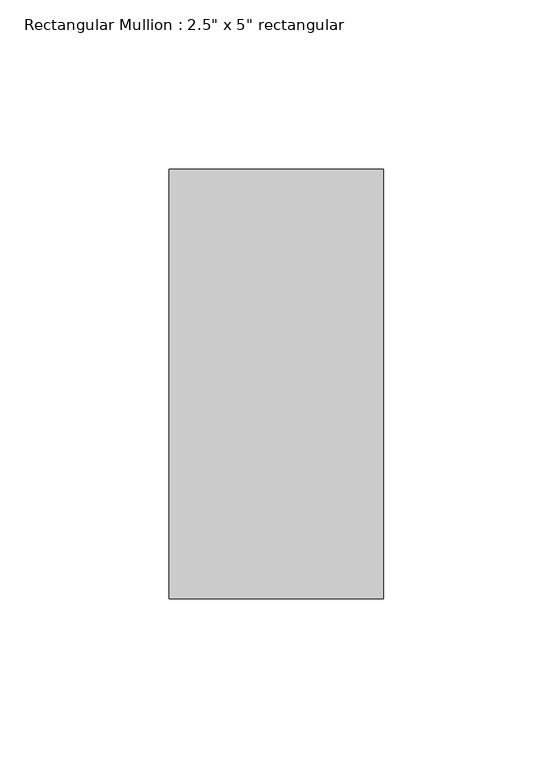
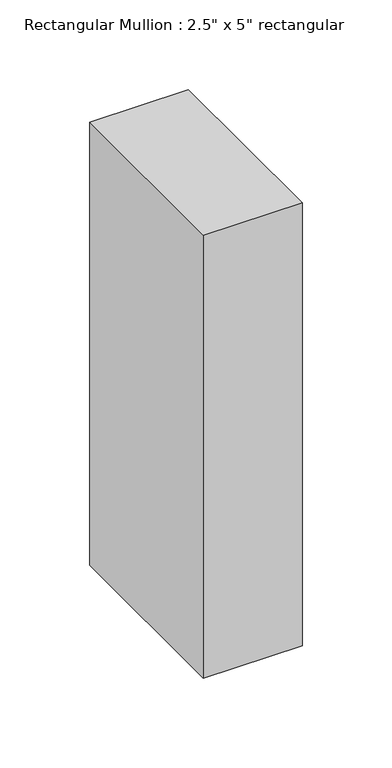
"""IFC4 building model written with IfcOpenShell, lengths in millimetres: member geometry."""

from ifc_helpers import new_model, si_unit, frame, origin, place, context, project, spatial, polyline, outline, extrude, source, transform, mapped, element, save


def member_6da24d1a(model_context):
    return source(origin(), model_context, "Body", "SweptSolid", [
        extrude(outline(polyline([(31.75, 63.5), (31.75, -63.5), (-31.75, -63.5), (-31.75, 63.5), (31.75, 63.5)])), frame((0.0, 0.0, -301.6), z_axis=(0.0, 0.0, 1.0), x_axis=(1.0, 0.0, 0.0)), (0.0, 0.0, 1.0), 301.6),
    ])


if __name__ == "__main__":
    model = new_model("IFC4")
    model_context = context("Model", 3, world=origin())
    ifc_project = project(units=[si_unit("LENGTHUNIT", "METRE", prefix="MILLI")], contexts=[model_context])
    site = spatial("IfcSite", under=ifc_project)
    building = spatial("IfcBuilding", under=site)
    placement = place(None, origin())
    member_shape = member_6da24d1a(model_context)
    element("IfcMember", 1, ObjectType="Rectangular Mullion : 2.5\" x 5\" rectangular", at=placement, inside=building, context=model_context, shape_type="MappedRepresentation", body=[
        mapped(member_shape, transform((0.0, 0.0, 0.0), x_axis=(1.0, 0.0, 0.0), y_axis=(0.0, 1.0, 0.0), z_axis=(0.0, 0.0, 1.0))),
    ])
    save(model, "model.ifc")
